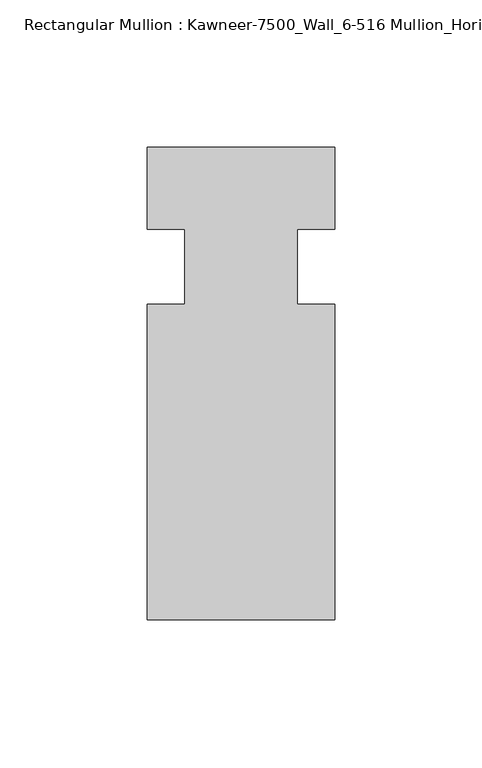
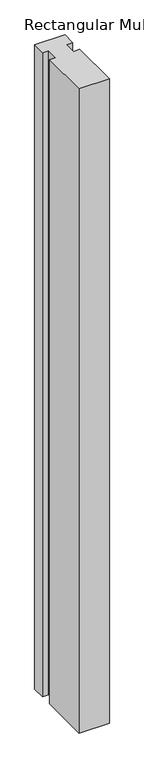
"""IFC4 building model written with IfcOpenShell, lengths in millimetres: member geometry, Rectangular Mullion : Kawneer-7500_Wall_6-516 Mullion_Horizontal."""

from ifc_helpers import new_model, si_unit, frame, origin, place, context, project, spatial, polyline, outline, extrude, source, transform, mapped, element, save


def rectangular_mullion_kawneer_7500_wall_6_516_mullion_56875fb7(model_context):
    return source(origin(), model_context, "Body", "SweptSolid", [
        extrude(outline(polyline([(36.0844027, -122.2375), (-27.4155973, -122.2375), (-27.4155973, -15.08125), (-14.7155973, -15.08125), (-14.7155973, 10.31875), (-27.4155973, 10.31875), (-27.4155973, 38.1), (36.0844027, 38.1), (36.0844027, 10.31875), (23.3826322, 10.31875), (23.3826322, -15.08125), (36.0844027, -15.08125), (36.0844027, -122.2375)])), frame((0.0, 0.0, -1424.4155973), z_axis=(0.0, 0.0, 1.0), x_axis=(1.0, 0.0, 0.0)), (0.0, 0.0, 1.0), 1424.4155973),
    ])


if __name__ == "__main__":
    model = new_model("IFC4")
    model_context = context("Model", 3, world=origin())
    ifc_project = project(units=[si_unit("LENGTHUNIT", "METRE", prefix="MILLI")], contexts=[model_context])
    site = spatial("IfcSite", under=ifc_project)
    building = spatial("IfcBuilding", under=site)
    placement = place(None, origin())
    rectangular_mullion_kawneer_7500_wall_6_516_mullion_shape = rectangular_mullion_kawneer_7500_wall_6_516_mullion_56875fb7(model_context)
    element("IfcMember", 1, ObjectType="Rectangular Mullion : Kawneer-7500_Wall_6-516 Mullion_Horizontal", at=placement, inside=building, context=model_context, shape_type="MappedRepresentation", body=[
        mapped(rectangular_mullion_kawneer_7500_wall_6_516_mullion_shape, transform((0.0, 0.0, 0.0), x_axis=(1.0, 0.0, 0.0), y_axis=(0.0, 1.0, 0.0), z_axis=(0.0, 0.0, 1.0))),
    ])
    save(model, "model.ifc")
